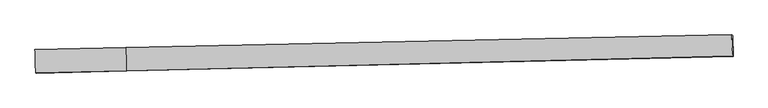
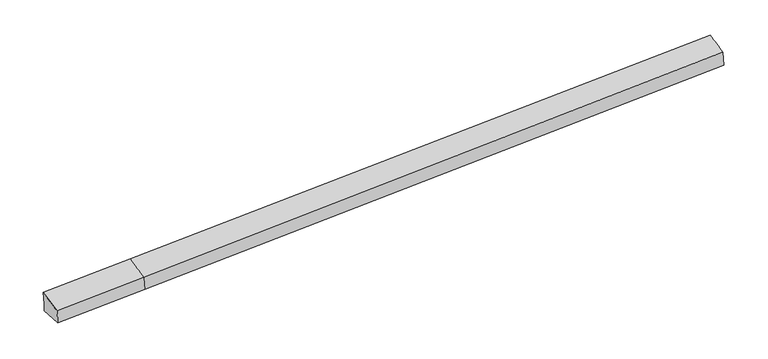
"""IFC4 building model written with IfcOpenShell, lengths in millimetres: proxy geometry."""

from ifc_helpers import new_model, si_unit, frame, origin, place, context, project, spatial, source, transform, mapped, element, save
from ifc_brep_helpers import plane_surface, spline_surface, advanced_brep


def generic_models_0e6e5fe8(model_context):
    return source(origin(), model_context, "Body", "AdvancedBrep", [
        advanced_brep(
        [(-8718.3993572, -2148.6145489, 1815.3972004), (-8702.5794729, -2159.7395323, 1433.8751851), (-5972.5312761, -2093.6832731, 1538.1292307), (-5988.3511604, -2082.5582897, 1919.6512459), (-8715.5677329, -1465.1720362, 1413.0833977), (-5985.5195362, -1399.1157769, 1517.3374433), (-8724.2618669, -1459.0580789, 1622.7564552), (-5994.2136702, -1393.0018197, 1727.0105008), (-8740.3641335, -1447.7345165, 2011.0885734), (-6010.0084715, -1381.8944753, 2107.9275999), (12226.1975654, -1012.2960445, 2433.541525), (12209.0596651, -997.4772891, 2845.5012554), (12228.8962954, -1645.3846946, 2676.0483162), (12246.2333217, -1657.5765745, 2257.937977), (12234.2729095, -1017.9748515, 2238.7915828)],
        [
            (0, 1),
            (1, 2),
            (2, 3),
            (3, 0),
            (1, 4),
            (4, 5),
            (5, 1),
            (4, 6),
            (6, 7),
            (7, 5),
            (6, 8),
            (8, 9),
            (9, 7),
            (8, 0),
            (3, 9),
            (10, 11),
            (11, 12),
            (12, 13),
            (13, 14),
            (14, 10),
            (5, 2),
            (9, 11),
            (10, 7),
            (3, 12),
            (2, 13),
            (5, 14),
        ],
        [
            plane_surface(frame((-8710.489415, -2154.1770406, 1624.6361928), z_axis=(0.0230294286905797, -0.9992817567333747, 0.03009345566807069), x_axis=(0.041412021042937314, -0.029122086944939406, -0.9987176520744543))),
            plane_surface(frame((-8709.0736029, -1812.4557842, 1423.4792914), z_axis=(0.03884839941534678, -0.02917306503053878, -0.9988191698899206), x_axis=(-0.01868814399342523, 0.9993776922691847, -0.029916240886846374))),
            plane_surface(frame((-8719.9147999, -1462.1150575, 1517.9199265), z_axis=(-0.02302942869057962, 0.9992817567333747, -0.030093455668072977), x_axis=(-0.04141202104293803, 0.029122086944941675, 0.9987176520744542))),
            plane_surface(frame((-8732.3130002, -1453.3962977, 1816.9225143), z_axis=(-0.02302942869057969, 0.9992817567333745, -0.030093455668073494), x_axis=(-0.04141202104293793, 0.029122086944942196, 0.9987176520744542))),
            spline_surface(1, 1, [[(-8740.3641335, -1447.7345165, 2011.0885734), (-6010.0084715, -1381.8944753, 2107.9275999)], [(-8718.3993572, -2148.6145489, 1815.3972004), (-5988.3511604, -2082.5582897, 1919.6512459)]], [2, 2], [2, 2], [0.0, 1.0], [0.0, 1.0]),
            plane_surface(frame((12228.9319514, -1266.1418909, 2490.3641313), z_axis=(0.9989673657268396, 0.01990307128786675, 0.040842012267869494), x_axis=(-0.04153814132418118, 0.035917092866946214, 0.9984911342897941))),
            plane_surface(frame((-8719.2276741, -1805.3151585, 1668.3610892), z_axis=(-0.9989673657268392, -0.01990307128787457, -0.040842012267877474), x_axis=(-0.030170644999771137, 0.9627233334905505, 0.2688001401285724))),
            plane_surface(frame((-8702.5794729, -2159.7395323, 1433.8751851), z_axis=(0.03884839941534653, -0.029173065030538077, -0.9988191698899205), x_axis=(-0.018688143993412752, 0.9993776922691849, -0.02991624088684519))),
            spline_surface(1, 1, [[(-5994.2136702, -1393.0018197, 1727.0105008), (12226.1975654, -1012.2960445, 2433.541525)], [(-6010.0084715, -1381.8944753, 2107.9275999), (12209.0596651, -997.4772891, 2845.5012554)]], [2, 2], [2, 2], [0.0, 1.0], [0.0, 1.0]),
            spline_surface(1, 1, [[(-6010.0084715, -1381.8944753, 2107.9275999), (12209.0596651, -997.4772891, 2845.5012554)], [(-5988.3511604, -2082.5582897, 1919.6512459), (12228.8962954, -1645.3846946, 2676.0483162)]], [2, 2], [2, 2], [0.0, 1.0], [0.0, 1.0]),
            plane_surface(frame((-5980.4412183, -2088.1207814, 1728.8902383), z_axis=(0.022731717082396644, -0.9992889387960074, 0.03008132042373531), x_axis=(0.04141202104293796, -0.02912208694493978, -0.9987176520744543))),
            plane_surface(frame((-5979.0254061, -1746.399525, 1527.733337), z_axis=(0.04015822525444569, -0.029147043541290024, -0.9987681246401569), x_axis=(-0.01868814399342154, 0.9993776922691848, -0.02991624088684685))),
            plane_surface(frame((-5989.8666032, -1396.0587983, 1622.173972), z_axis=(-0.01971933025204604, 0.999356614630559, -0.02995838461198406), x_axis=(-0.04141202104293517, 0.029122086944941828, 0.9987176520744544))),
        ],
        [
            (0, [[1, 2, 3, 4]]),
            (1, [[5, 6, 7]]),
            (2, [[8, 9, 10, -6]]),
            (3, [[11, 12, 13, -9]]),
            (4, [[14, -4, 15, -12]]),
            (5, [[16, 17, 18, 19, 20]]),
            (6, [[-14, -11, -8, -5, -1]]),
            (7, [[21, -2, -7]]),
            (8, [[-13, 22, -16, 23]]),
            (9, [[-15, 24, -17, -22]]),
            (10, [[-3, 25, -18, -24]]),
            (11, [[-21, 26, -19, -25]]),
            (12, [[-10, -23, -20, -26]]),
        ],
    ),
    ])


if __name__ == "__main__":
    model = new_model("IFC4")
    model_context = context("Model", 3, world=origin())
    ifc_project = project(units=[si_unit("LENGTHUNIT", "METRE", prefix="MILLI")], contexts=[model_context])
    site = spatial("IfcSite", under=ifc_project)
    building = spatial("IfcBuilding", under=site)
    placement = place(None, origin())
    generic_models_shape = generic_models_0e6e5fe8(model_context)
    element("IfcBuildingElementProxy", 1, Name="Generic Models", at=placement, inside=building, context=model_context, shape_type="MappedRepresentation", body=[
        mapped(generic_models_shape, transform((0.0, 0.0, 0.0), x_axis=(1.0, 0.0, 0.0), y_axis=(0.0, 1.0, 0.0), z_axis=(0.0, 0.0, 1.0))),
    ])
    save(model, "model.ifc")
